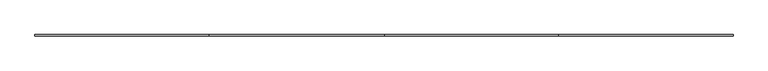
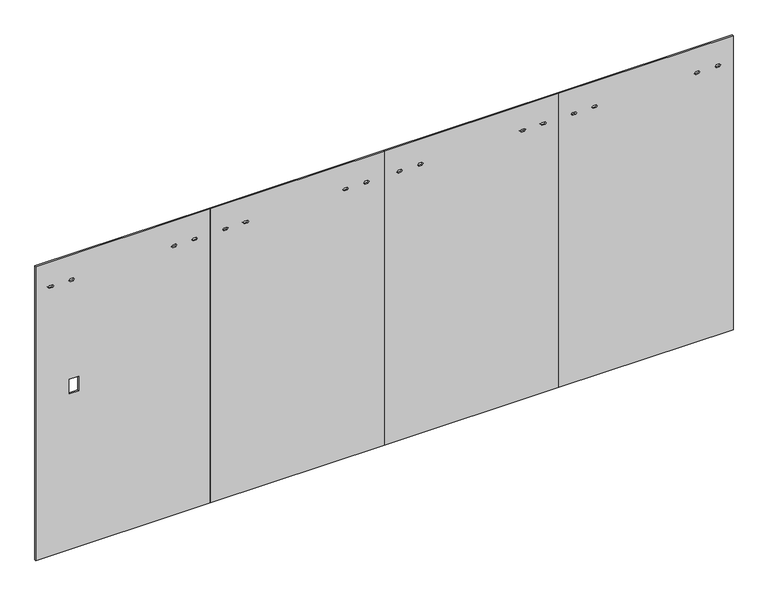
"""IFC4 building model written with IfcOpenShell, lengths in millimetres: furniture geometry."""

from ifc_helpers import new_model, si_unit, frame, origin, place, context, project, spatial, polyline, outline, extrude, source, transform, mapped, element, save


def furniture_43e57f67(model_context):
    return source(origin(), model_context, "Body", "SweptSolid", [
        extrude(outline(polyline([(12.7, 4876.8), (2186.3010468, 4876.8), (2186.3010468, 3657.6), (12.7, 3657.6), (12.7, 4876.8)]), holes=[polyline([(2001.1032968, 3745.6299829), (2011.0981968, 3753.6817829), (2011.0981968, 3775.6781829), (2001.1032968, 3783.7299829), (1991.1083968, 3775.6781829), (1991.1083968, 3753.6817829), (2001.1032968, 3745.6299829)]), polyline([(2001.1032968, 3890.049983), (2011.0981968, 3898.101783), (2011.0981968, 3920.098183), (2001.1032968, 3928.149983), (1991.1083968, 3920.098183), (1991.1083968, 3898.101783), (2001.1032968, 3890.049983)]), polyline([(2001.1032968, 4606.250017), (2011.0981968, 4614.301817), (2011.0981968, 4636.298217), (2001.1032968, 4644.350017), (1991.1083968, 4636.298217), (1991.1083968, 4614.301817), (2001.1032968, 4606.250017)]), polyline([(2001.1032968, 4750.6700171), (2011.0981968, 4758.7218171), (2011.0981968, 4780.7182171), (2001.1032968, 4788.7700171), (1991.1083968, 4780.7182171), (1991.1083968, 4758.7218171), (2001.1032968, 4750.6700171)])]), frame((0.0, -4.7752, 0.0), z_axis=(0.0, 1.0, 0.0), x_axis=(0.0, 0.0, 1.0)), (0.0, 0.0, 1.0), 9.525),
        extrude(outline(polyline([(12.7, 2438.4), (2186.3010468, 2438.4), (2186.3010468, 1219.2), (12.7, 1219.2), (12.7, 2438.4)]), holes=[polyline([(2001.1032968, 1307.2299829), (2011.0981968, 1315.2817829), (2011.0981968, 1337.2781829), (2001.1032968, 1345.3299829), (1991.1083968, 1337.2781829), (1991.1083968, 1315.2817829), (2001.1032968, 1307.2299829)]), polyline([(2001.1032968, 1451.649983), (2011.0981968, 1459.701783), (2011.0981968, 1481.698183), (2001.1032968, 1489.749983), (1991.1083968, 1481.698183), (1991.1083968, 1459.701783), (2001.1032968, 1451.649983)]), polyline([(2001.1032968, 2148.800017), (2011.0981968, 2156.851817), (2011.0981968, 2178.848217), (2001.1032968, 2186.900017), (1991.1083968, 2178.848217), (1991.1083968, 2156.851817), (2001.1032968, 2148.800017)]), polyline([(2001.1032968, 2293.2200171), (2011.0981968, 2301.2718171), (2011.0981968, 2323.2682171), (2001.1032968, 2331.3200171), (1991.1083968, 2323.2682171), (1991.1083968, 2301.2718171), (2001.1032968, 2293.2200171)])]), frame((0.0, -4.7752, 0.0), z_axis=(0.0, 1.0, 0.0), x_axis=(0.0, 0.0, 1.0)), (0.0, 0.0, 1.0), 9.525),
        extrude(outline(polyline([(12.7, 2438.4), (12.7, 3657.6), (2186.3010468, 3657.6), (2186.3010468, 2438.4), (12.7, 2438.4)]), holes=[polyline([(2001.1032968, 2526.4299829), (2011.0981968, 2534.4817829), (2011.0981968, 2556.4781829), (2001.1032968, 2564.5299829), (1991.1083968, 2556.4781829), (1991.1083968, 2534.4817829), (2001.1032968, 2526.4299829)]), polyline([(2001.1032968, 2670.849983), (2011.0981968, 2678.901783), (2011.0981968, 2700.898183), (2001.1032968, 2708.949983), (1991.1083968, 2700.898183), (1991.1083968, 2678.901783), (2001.1032968, 2670.849983)]), polyline([(2001.1032968, 3387.050017), (2011.0981968, 3395.101817), (2011.0981968, 3417.098217), (2001.1032968, 3425.150017), (1991.1083968, 3417.098217), (1991.1083968, 3395.101817), (2001.1032968, 3387.050017)]), polyline([(2001.1032968, 3531.4700171), (2011.0981968, 3539.5218171), (2011.0981968, 3561.5182171), (2001.1032968, 3569.5700171), (1991.1083968, 3561.5182171), (1991.1083968, 3539.5218171), (2001.1032968, 3531.4700171)])]), frame((0.0, -4.7752, 0.0), z_axis=(0.0, 1.0, 0.0), x_axis=(0.0, 0.0, 1.0)), (0.0, 0.0, 1.0), 9.525),
        extrude(outline(polyline([(12.7, 0.0), (12.7, 1219.2), (2186.3010468, 1219.2), (2186.3010468, 0.0), (12.7, 0.0)]), holes=[polyline([(1272.032, 233.3610103), (1272.032, 300.3410789), (1164.336, 300.3410789), (1164.336, 233.3610103), (1272.032, 233.3610103)]), polyline([(2001.1032968, 88.0299829), (2011.0981968, 96.0817829), (2011.0981968, 118.0781829), (2001.1032968, 126.1299829), (1991.1083968, 118.0781829), (1991.1083968, 96.0817829), (2001.1032968, 88.0299829)]), polyline([(2001.1032968, 232.449983), (2011.0981968, 240.501783), (2011.0981968, 262.498183), (2001.1032968, 270.549983), (1991.1083968, 262.498183), (1991.1083968, 240.501783), (2001.1032968, 232.449983)]), polyline([(2001.1032968, 948.650017), (2011.0981968, 956.701817), (2011.0981968, 978.698217), (2001.1032968, 986.750017), (1991.1083968, 978.698217), (1991.1083968, 956.701817), (2001.1032968, 948.650017)]), polyline([(2001.1032968, 1093.0700171), (2011.0981968, 1101.1218171), (2011.0981968, 1123.1182171), (2001.1032968, 1131.1700171), (1991.1083968, 1123.1182171), (1991.1083968, 1101.1218171), (2001.1032968, 1093.0700171)])]), frame((0.0, -4.7752, 0.0), z_axis=(0.0, 1.0, 0.0), x_axis=(0.0, 0.0, 1.0)), (0.0, 0.0, 1.0), 9.525),
    ])


if __name__ == "__main__":
    model = new_model("IFC4")
    model_context = context("Model", 3, world=origin())
    ifc_project = project(units=[si_unit("LENGTHUNIT", "METRE", prefix="MILLI")], contexts=[model_context])
    site = spatial("IfcSite", under=ifc_project)
    building = spatial("IfcBuilding", under=site)
    placement = place(None, origin())
    furniture_shape = furniture_43e57f67(model_context)
    element("IfcFurniture", 1, at=placement, inside=building, context=model_context, shape_type="MappedRepresentation", body=[
        mapped(furniture_shape, transform((0.0, 0.0, 0.0), x_axis=(1.0, 0.0, 0.0), y_axis=(0.0, 1.0, 0.0), z_axis=(0.0, 0.0, 1.0))),
    ])
    save(model, "model.ifc")
